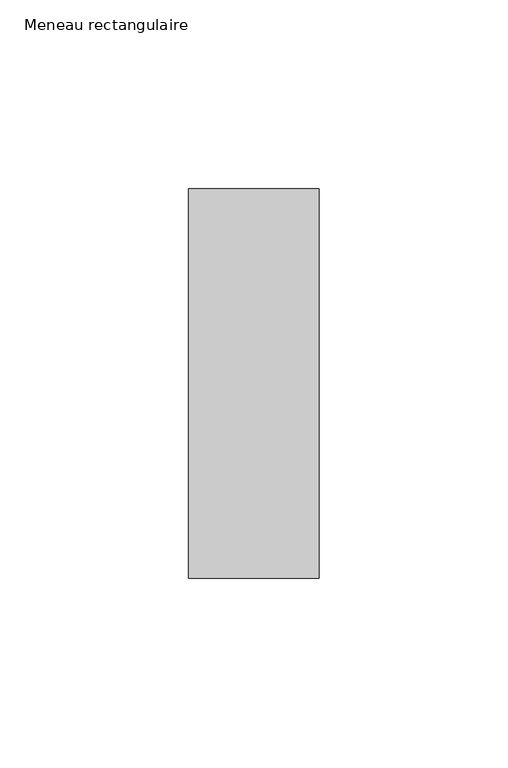
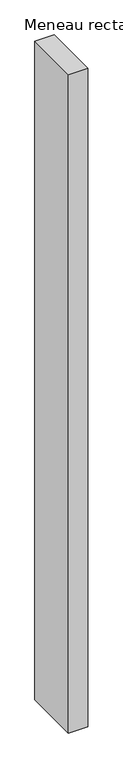
"""IFC4 building model written with IfcOpenShell, lengths in millimetres: member geometry, Meneau rectangulaire."""

from ifc_helpers import new_model, si_unit, frame, origin, place, context, project, spatial, polyline, outline, extrude, source, transform, mapped, element, save


def meneau_rectangulaire_77778ae9(model_context):
    return source(origin(), model_context, "Body", "SweptSolid", [
        extrude(outline(polyline([(-34.5, 51.5), (0.0, 51.5), (0.0, -51.5), (-34.5, -51.5), (-34.5, 51.5)])), frame((0.0, 0.0, -1235.3749998), z_axis=(0.0, 0.0, 1.0), x_axis=(1.0, 0.0, 0.0)), (0.0, 0.0, 1.0), 1235.3749998),
    ])


if __name__ == "__main__":
    model = new_model("IFC4")
    model_context = context("Model", 3, world=origin())
    ifc_project = project(units=[si_unit("LENGTHUNIT", "METRE", prefix="MILLI")], contexts=[model_context])
    site = spatial("IfcSite", under=ifc_project)
    building = spatial("IfcBuilding", under=site)
    placement = place(None, origin())
    meneau_rectangulaire_shape = meneau_rectangulaire_77778ae9(model_context)
    element("IfcMember", 1, ObjectType="Meneau rectangulaire", at=placement, inside=building, context=model_context, shape_type="MappedRepresentation", body=[
        mapped(meneau_rectangulaire_shape, transform((0.0, 0.0, 0.0), x_axis=(1.0, 0.0, 0.0), y_axis=(0.0, 1.0, 0.0), z_axis=(0.0, 0.0, 1.0))),
    ])
    save(model, "model.ifc")
